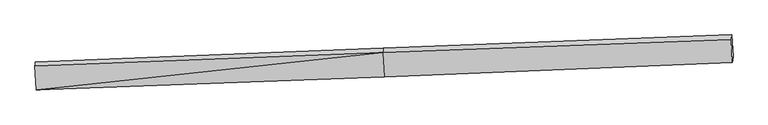
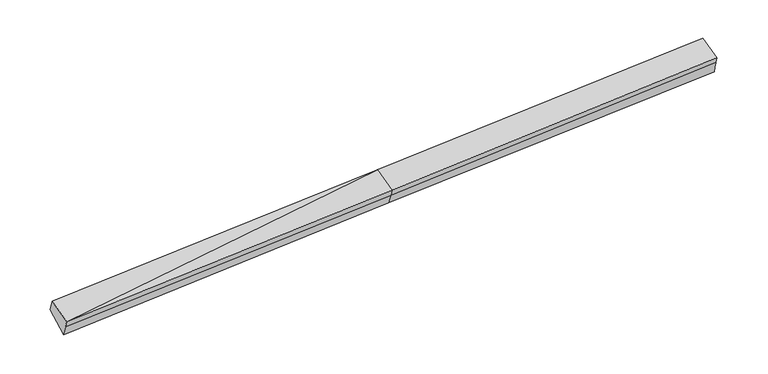
"""IFC4 building model written with IfcOpenShell, lengths in millimetres: proxy geometry."""

import ifcopenshell
import ifcopenshell.guid

model = None  # the IFC model being written
_history = None  # IfcOwnerHistory: only IFC2X3 demands one
_inside = {}  # id of a spatial element -> (the spatial element, [elements in it])
_under = {}  # id of a project, library or spatial element -> (it, [spatial elements below it])
_declared = {}  # id of a project -> (the project, [libraries it declares])
_typed = {}  # id of a type object -> (the type object, [elements of that type])
_made_of = {}  # id of a material, layer set ... -> (it, [elements and type objects made of it])


def new_model(schema):
    """Start an empty IFC model of exactly this schema.

    Asked for "IFC4X3", IfcOpenShell would pick the latest addendum, in which some entities
    have other attributes; the version numbers below select the first issue.
    IFC2X3 requires an IfcOwnerHistory on every rooted entity: one is made here for all.
    """
    global model, _history
    if schema == "IFC4X3":
        model = ifcopenshell.file(schema_version=(4, 3, 0, 0))
    else:
        model = ifcopenshell.file(schema=schema)
    _inside.clear()
    _under.clear()
    _declared.clear()
    _typed.clear()
    _made_of.clear()
    _history = None
    if model.schema == "IFC2X3":
        org = make("IfcOrganization", Name="unknown")
        user = make(
            "IfcPersonAndOrganization",
            ThePerson=make("IfcPerson", FamilyName="unknown"),
            TheOrganization=org,
        )
        app = make(
            "IfcApplication",
            ApplicationDeveloper=org,
            Version="unknown",
            ApplicationFullName="unknown",
            ApplicationIdentifier="unknown",
        )
        _history = make(
            "IfcOwnerHistory",
            OwningUser=user,
            OwningApplication=app,
            ChangeAction="ADDED",
            CreationDate=0,
        )
    return model


def make(cls, **values):
    """One entity of the class cls with the attributes given. An attribute that is None is left unset."""
    return model.create_entity(
        cls, **{name: value for name, value in values.items() if value is not None}
    )


def rooted(cls, **values):
    """An entity with a GlobalId (a new one), such as an element, a storey or a relation."""
    return make(cls, GlobalId=ifcopenshell.guid.new(), OwnerHistory=_history, **values)


def si_unit(unit_type, name, prefix=None):
    """IfcSIUnit, for example si_unit("LENGTHUNIT", "METRE", prefix="MILLI")."""
    return make("IfcSIUnit", UnitType=unit_type, Prefix=prefix, Name=name)


def assignment(units):
    """IfcUnitAssignment: the units of a project."""
    return None if units is None else make("IfcUnitAssignment", Units=units)


def point(xyz):
    """IfcCartesianPoint."""
    return None if xyz is None else make("IfcCartesianPoint", Coordinates=xyz)


def direction(xyz):
    """IfcDirection."""
    return None if xyz is None else make("IfcDirection", DirectionRatios=xyz)


def frame(location, z_axis=None, x_axis=None):
    """IfcAxis2Placement3D, a coordinate frame: its origin and axes. An axis left out is left unset."""
    return make(
        "IfcAxis2Placement3D",
        Location=point(location),
        Axis=direction(z_axis),
        RefDirection=direction(x_axis),
    )


def origin():
    """The frame at (0, 0, 0) with its axes left unset."""
    return frame((0.0, 0.0, 0.0))


def place(relative_to, where):
    """IfcLocalPlacement: puts the frame where relative to a parent placement (None: the world)."""
    return make(
        "IfcLocalPlacement", PlacementRelTo=relative_to, RelativePlacement=where
    )


def context(
    kind, dimensions, precision=None, world=None, true_north=None, identifier=None
):
    """IfcGeometricRepresentationContext, for example the 3D "Model" context."""
    return make(
        "IfcGeometricRepresentationContext",
        ContextIdentifier=identifier,
        ContextType=kind,
        CoordinateSpaceDimension=dimensions,
        Precision=precision,
        WorldCoordinateSystem=world,
        TrueNorth=true_north,
    )


def project(units=None, contexts=None):
    """IfcProject with its units and contexts."""
    return rooted(
        "IfcProject",
        Name="project",
        RepresentationContexts=contexts,
        UnitsInContext=assignment(units),
    )


def spatial(cls, under=None, at=None, **own):
    """A site, building, storey or space (cls), placed at a placement, below another one or the project."""
    s = rooted(cls, ObjectPlacement=at, **own)
    if under is not None:
        _under.setdefault(under.id(), (under, []))[1].append(s)
    return s


def shape(context_of_items, identifier, shape_type, items):
    """IfcShapeRepresentation: the items that make up one representation, for example the "Body"."""
    return make(
        "IfcShapeRepresentation",
        ContextOfItems=context_of_items,
        RepresentationIdentifier=identifier,
        RepresentationType=shape_type,
        Items=items,
    )


def source(mapping_origin, context_of_items, identifier, shape_type, items):
    """IfcRepresentationMap: a shape defined once, which mapped items show again and again."""
    return make(
        "IfcRepresentationMap",
        MappingOrigin=mapping_origin,
        MappedRepresentation=shape(context_of_items, identifier, shape_type, items),
    )


def transform(
    local_origin,
    x_axis=None,
    y_axis=None,
    z_axis=None,
    scale=None,
    scale2=None,
    scale3=None,
    uniform=True,
):
    """IfcCartesianTransformationOperator3D, or its non-uniform kind. x_axis, y_axis, z_axis: its Axis1, 2, 3."""
    if uniform:
        return make(
            "IfcCartesianTransformationOperator3D",
            Axis1=direction(x_axis),
            Axis2=direction(y_axis),
            LocalOrigin=point(local_origin),
            Scale=scale,
            Axis3=direction(z_axis),
        )
    return make(
        "IfcCartesianTransformationOperator3DnonUniform",
        Axis1=direction(x_axis),
        Axis2=direction(y_axis),
        LocalOrigin=point(local_origin),
        Scale=scale,
        Axis3=direction(z_axis),
        Scale2=scale2,
        Scale3=scale3,
    )


def mapped(mapping_source, mapping_target):
    """IfcMappedItem: shows the shape of a source again, moved by a transform."""
    return make(
        "IfcMappedItem", MappingSource=mapping_source, MappingTarget=mapping_target
    )


def made_of(thing, what):
    """Note that an element or type object is made of a material, layer set ...; save() writes the relation."""
    if what is not None:
        _made_of.setdefault(what.id(), (what, []))[1].append(thing)
    return thing


def element(
    cls,
    number,
    at=None,
    inside=None,
    cuts=None,
    type_object=None,
    material=None,
    context=None,
    identifier="Body",
    shape_type=None,
    held_by="IfcProductDefinitionShape",
    body=None,
    shapes=None,
    **own,
):
    """One element of the class cls, such as IfcWall. Its Tag is "e" and its number.

    at: its placement. inside: the storey or other place that contains it. cuts: it is an
    opening in that element (IfcRelVoidsElement). A single representation is given by context,
    identifier, shape_type and body (its items); several are given by shapes. held_by: the class
    of the entity that holds the representations. save() writes the other relations.
    """
    e = rooted(cls, Tag="e%d" % number, ObjectPlacement=at, **own)
    if body is not None:
        shapes = [shape(context, identifier, shape_type, body)]
    if shapes is not None:
        e.Representation = make(held_by, Representations=shapes)
    if inside is not None:
        _inside.setdefault(inside.id(), (inside, []))[1].append(e)
    if cuts is not None:
        rooted(
            "IfcRelVoidsElement", RelatingBuildingElement=cuts, RelatedOpeningElement=e
        )
    if type_object is not None:
        _typed.setdefault(type_object.id(), (type_object, []))[1].append(e)
    return made_of(e, material)


def aggregate(whole, parts):
    """IfcRelAggregates: a whole, such as a stair, and the parts it consists of."""
    return rooted("IfcRelAggregates", RelatingObject=whole, RelatedObjects=parts)


def save(model, path):
    """Write the relations noted so far, then the file.

    IfcRelAggregates (storeys below a building ...), IfcRelContainedInSpatialStructure (elements
    in a storey), IfcRelDefinesByType, IfcRelAssociatesMaterial and IfcRelDeclares: one each for
    every whole, place, type object, material and project.
    """
    for whole, parts in _under.values():
        aggregate(whole, parts)
    for where, things in _inside.values():
        rooted(
            "IfcRelContainedInSpatialStructure",
            RelatedElements=things,
            RelatingStructure=where,
        )
    for kind, things in _typed.values():
        rooted("IfcRelDefinesByType", RelatedObjects=things, RelatingType=kind)
    for what, things in _made_of.values():
        rooted("IfcRelAssociatesMaterial", RelatedObjects=things, RelatingMaterial=what)
    for by, libraries in _declared.values():
        rooted("IfcRelDeclares", RelatingContext=by, RelatedDefinitions=libraries)
    model.write(path)


def plane_surface(at):
    """IfcPlane: the flat surface through the origin of the frame at, square to its z axis."""
    return make("IfcPlane", Position=at)


def spline_surface(u_degree, v_degree, points, u_multiplicities, v_multiplicities, u_knots, v_knots, weights=None):
    """IfcBSplineSurfaceWithKnots; with weights, IfcRationalBSplineSurfaceWithKnots. points: one row for each step in u."""
    own = dict(
        UDegree=u_degree,
        VDegree=v_degree,
        ControlPointsList=[[point(p) for p in row] for row in points],
        SurfaceForm="UNSPECIFIED",
        UClosed=False,
        VClosed=False,
        SelfIntersect=False,
        UMultiplicities=u_multiplicities,
        VMultiplicities=v_multiplicities,
        UKnots=u_knots,
        VKnots=v_knots,
        KnotSpec="UNSPECIFIED",
    )
    if weights is None:
        return make("IfcBSplineSurfaceWithKnots", **own)
    return make("IfcRationalBSplineSurfaceWithKnots", WeightsData=weights, **own)


def advanced_brep(points, edges, surfaces, faces):
    """IfcAdvancedBrep: a solid bounded by faces that lie on surfaces and meet in shared edges.

    An edge is (start, end): straight between two places in points (the first is 0);
    or (start, end, curve); or (start, end, curve, False) where it runs against its curve.
    A face is (place in surfaces, loops), or (place, loops, False) where it looks against
    its surface's normal. A loop lists edges by number (the first is 1), with a minus sign
    where the edge is run from its end to its start. The first loop is the outer one.
    """
    corners = [point(p) for p in points]
    vertices = [make("IfcVertexPoint", VertexGeometry=c) for c in corners]
    made = []
    for start, end, *more in edges:
        made.append(
            make(
                "IfcEdgeCurve",
                EdgeStart=vertices[start],
                EdgeEnd=vertices[end],
                EdgeGeometry=more[0] if more else make("IfcPolyline", Points=[corners[start], corners[end]]),
                SameSense=more[1] if len(more) > 1 else True,
            )
        )
    hull = []
    for where, loops, *sense in faces:
        bounds = []
        for j, loop in enumerate(loops):
            ring = [make("IfcOrientedEdge", EdgeElement=made[abs(k) - 1], Orientation=k > 0) for k in loop]
            bounds.append(
                make(
                    "IfcFaceOuterBound" if j == 0 else "IfcFaceBound",
                    Bound=make("IfcEdgeLoop", EdgeList=ring),
                    Orientation=True,
                )
            )
        hull.append(make("IfcAdvancedFace", Bounds=bounds, FaceSurface=surfaces[where], SameSense=sense[0] if sense else True))
    return make("IfcAdvancedBrep", Outer=make("IfcClosedShell", CfsFaces=hull))


def generic_models_ee5e6ffb(model_context):
    return source(origin(), model_context, "Body", "AdvancedBrep", [
        advanced_brep(
        [(-10594.2188924, -2370.2645549, 1584.4431764), (-10588.0612526, -2305.5709952, 1388.0586996), (-585.0872895, -1921.7804763, 1828.1315958), (-591.2287617, -1986.3041755, 2024.0004424), (-10631.2383674, -1673.4255213, 1829.7599978), (-627.9979398, -1294.1766237, 2267.6586228), (-10620.4688118, -1560.2781289, 1486.2885365), (-618.730165, -1152.7603402, 1934.1390072), (-10577.3956941, -2193.5162195, 1047.9039974), (-575.6570474, -1785.9984308, 1495.7544681), (9394.5674265, -775.1292441, 2372.5065456), (9384.7516795, -914.9614911, 2717.1785093), (9420.0190768, -1578.8201517, 2483.4721745), (9425.5878328, -1520.3135385, 2305.8688598), (9437.6405442, -1408.3673347, 1934.1220064)],
        [
            (0, 1),
            (1, 2),
            (2, 3),
            (3, 0),
            (4, 0),
            (0, 5),
            (5, 4),
            (6, 4),
            (5, 7),
            (7, 6),
            (8, 6),
            (7, 9),
            (9, 8),
            (1, 8),
            (9, 2),
            (10, 11),
            (11, 12),
            (12, 13),
            (13, 14),
            (14, 10),
            (3, 5),
            (5, 11),
            (10, 7),
            (3, 12),
            (2, 13),
            (9, 14),
        ],
        [
            plane_surface(frame((-10591.1400725, -2337.917775, 1486.250938), z_axis=(0.05009877759588328, -0.9490646880942932, -0.3110728697522184), x_axis=(0.029767540656071383, 0.3127445300227111, -0.9493707139280013))),
            plane_surface(frame((-10612.7286299, -2021.8450381, 1707.1015871), z_axis=(-0.028618270564013615, -0.3332824102690587, 0.9423926090516477), x_axis=(0.05004755183006659, -0.9420740763594561, -0.3316499317161012))),
            spline_surface(1, 1, [[(-10620.4688118, -1560.2781289, 1486.2885365), (-618.730165, -1152.7603402, 1934.1390072)], [(-10631.2383674, -1673.4255213, 1829.7599978), (-627.9979398, -1294.1766237, 2267.6586228)]], [2, 2], [2, 2], [0.0, 1.0], [0.0, 1.0]),
            plane_surface(frame((-10598.9322529, -1876.8971742, 1267.096267), z_axis=(0.013577872236365831, 0.5697719795734397, -0.8216906550998964), x_axis=(-0.05583905406786625, 0.8209161046658592, 0.5683121933770541))),
            spline_surface(1, 1, [[(-10588.0612526, -2305.5709952, 1388.0586996), (-585.0872895, -1921.7804763, 1828.1315958)], [(-10577.3956941, -2193.5162195, 1047.9039974), (-575.6570474, -1785.9984308, 1495.7544681)]], [2, 2], [2, 2], [0.0, 1.0], [0.0, 1.0]),
            plane_surface(frame((9412.513312, -1239.518352, 2362.6296191), z_axis=(0.9983347548886821, 0.03765015913116076, 0.04370563692195041), x_axis=(-0.026380301028863504, -0.3758060164673917, 0.9263227934713347))),
            plane_surface(frame((-10605.8304414, -1949.3711061, 1487.0989271), z_axis=(-0.9983347548886822, -0.037650159131159384, -0.04370563692195361), x_axis=(-0.02976754065607186, -0.3127445300227112, 0.9493707139280012))),
            plane_surface(frame((-10594.2188924, -2370.2645549, 1584.4431764), z_axis=(-0.02861827056401301, -0.3332824102690633, 0.9423926090516461), x_axis=(0.05004755183006852, -0.9420740763594544, -0.3316499317161057))),
            spline_surface(1, 1, [[(-618.730165, -1152.7603402, 1934.1390072), (9394.5674265, -775.1292441, 2372.5065456)], [(-627.9979398, -1294.1766237, 2267.6586228), (9384.7516795, -914.9614911, 2717.1785093)]], [2, 2], [2, 2], [0.0, 1.0], [0.0, 1.0]),
            plane_surface(frame((-609.6133507, -1640.2403996, 2145.8295326), z_axis=(-0.02968237398320224, -0.3333223765213642, 0.9423455576299342), x_axis=(0.050047551830066844, -0.942074076359456, -0.3316499317161015))),
            plane_surface(frame((-588.1580256, -1954.0423259, 1926.0660191), z_axis=(0.05289605576088585, -0.9489536292934034, -0.3109485757095847), x_axis=(0.029767540656075783, 0.31274453002271135, -0.949370713928001))),
            spline_surface(1, 1, [[(-585.0872895, -1921.7804763, 1828.1315958), (9425.5878328, -1520.3135385, 2305.8688598)], [(-575.6570474, -1785.9984308, 1495.7544681), (9437.6405442, -1408.3673347, 1934.1220064)]], [2, 2], [2, 2], [0.0, 1.0], [0.0, 1.0]),
            plane_surface(frame((-597.1936062, -1469.3793855, 1714.9467377), z_axis=(0.01448161669708277, 0.569806295698486, -0.8216514274071509), x_axis=(-0.05583905406786871, 0.8209161046658591, 0.5683121933770541))),
        ],
        [
            (0, [[1, 2, 3, 4]]),
            (1, [[5, 6, 7]]),
            (2, [[8, -7, 9, 10]]),
            (3, [[11, -10, 12, 13]]),
            (4, [[14, -13, 15, -2]]),
            (5, [[16, 17, 18, 19, 20]]),
            (6, [[-1, -5, -8, -11, -14]]),
            (7, [[21, -6, -4]]),
            (8, [[-9, 22, -16, 23]]),
            (9, [[-21, 24, -17, -22]]),
            (10, [[-3, 25, -18, -24]]),
            (11, [[-15, 26, -19, -25]]),
            (12, [[-12, -23, -20, -26]]),
        ],
    ),
    ])


if __name__ == "__main__":
    model = new_model("IFC4")
    model_context = context("Model", 3, world=origin())
    ifc_project = project(units=[si_unit("LENGTHUNIT", "METRE", prefix="MILLI")], contexts=[model_context])
    site = spatial("IfcSite", under=ifc_project)
    building = spatial("IfcBuilding", under=site)
    placement = place(None, origin())
    generic_models_shape = generic_models_ee5e6ffb(model_context)
    element("IfcBuildingElementProxy", 1, Name="Generic Models", at=placement, inside=building, context=model_context, shape_type="MappedRepresentation", body=[
        mapped(generic_models_shape, transform((0.0, 0.0, 0.0), x_axis=(1.0, 0.0, 0.0), y_axis=(0.0, 1.0, 0.0), z_axis=(0.0, 0.0, 1.0))),
    ])
    save(model, "model.ifc")
